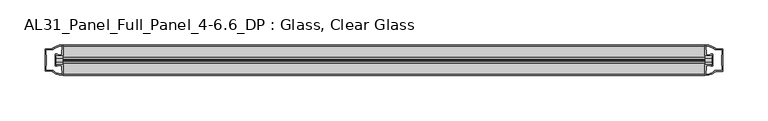
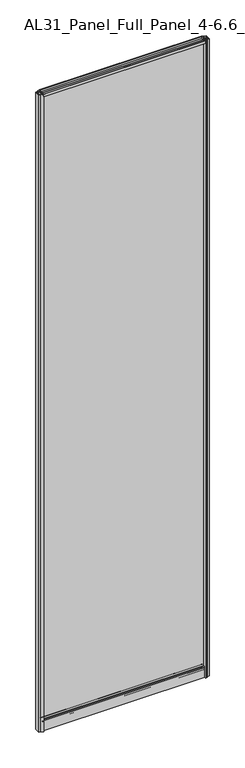
"""IFC4 building model written with IfcOpenShell, lengths in millimetres: plate geometry, AL31_Panel_Full_Panel_4-6.6_DP : Glass, Clear Glass."""

from ifc_helpers import new_model, si_unit, point, frame, frame_2d, origin, origin_with_axes, place, context, project, spatial, polyline, circle_curve, trimmed, segment, composite_curve, outline, extrude, source, transform, mapped, element, save


def al31_panel_full_panel_4_6_6_dp_glass_clear_glass_eac2c6a6(model_context):
    return source(origin(), model_context, "Body", "SweptSolid", [
        extrude(outline(composite_curve([segment(trimmed(circle_curve(frame_2d((-19.957, 2961.8572926)), 3.0), [point((-18.457, 2964.4553688))], [point((-17.4851586, 2960.1572926))], False, "CARTESIAN"), True, "CONTINUOUS"), segment(polyline([(-17.4851586, 2960.1572926), (-4.157, 2960.1572926), (-4.157, 2969.5572926), (-2.857, 2969.5572926), (-2.857, 2959.0572926), (-13.1545312, 2959.0572926), (-13.1545312, 2958.2572926), (-13.6601218, 2956.3357964), (-13.6601218, 2951.6572926), (-14.857, 2951.6572926), (-14.857, 2956.9912672), (-14.357, 2957.8572926), (-14.357, 2959.0572926), (-25.357, 2959.0572926), (-25.357, 2957.8572926), (-24.857, 2956.9912672), (-24.857, 2951.6572926), (-26.0538782, 2951.6572926), (-26.0538782, 2956.3357964), (-26.5594688, 2958.2572926), (-26.5594688, 2959.0572926), (-36.857, 2959.0572926), (-36.857, 2969.5572926), (-35.557, 2969.5572926), (-35.557, 2960.1572926), (-22.4288414, 2960.1572926)]), True, "CONTINUOUS"), segment(trimmed(circle_curve(frame_2d((-19.957, 2961.8572926)), 3.0), [point((-22.4288414, 2960.1572926))], [point((-21.457, 2964.4553688))], False, "CARTESIAN"), True, "CONTINUOUS"), segment(polyline([(-21.457, 2964.4553688), (-20.907, 2963.5027409)]), True, "CONTINUOUS"), segment(trimmed(circle_curve(frame_2d((-19.957, 2961.8572926)), 1.9), [point((-20.907, 2963.5027409))], [point((-19.007, 2963.5027409))], True, "CARTESIAN"), True, "CONTINUOUS"), segment(polyline([(-19.007, 2963.5027409), (-18.457, 2964.4553688)]), True, "CONTINUOUS")], self_intersect=False)), frame((-356.2500505, 0.0, 0.0), z_axis=(1.0, 0.0, 0.0), x_axis=(0.0, 1.0, 0.0)), (0.0, 0.0, 1.0), 712.5001009),
        extrude(outline(composite_curve([segment(polyline([(-11.457, 35.8), (-28.257, 35.8)]), True, "CONTINUOUS"), segment(trimmed(circle_curve(frame_2d((-28.257, 34.8)), 1.0), [point((-28.257, 35.8))], [point((-29.257, 34.8))], True, "CARTESIAN"), True, "CONTINUOUS"), segment(polyline([(-29.257, 34.8), (-29.257, 33.5), (-24.8569697, 33.5), (-24.8569697, 32.3), (-29.257, 32.3), (-29.257, 0.0), (-30.457, 0.0), (-30.457, 47.3)]), True, "CONTINUOUS"), segment(trimmed(circle_curve(frame_2d((-28.457, 47.3)), 2.0), [point((-30.457, 47.3))], [point((-28.457, 49.3))], False, "CARTESIAN"), True, "CONTINUOUS"), segment(polyline([(-28.457, 49.3), (-24.857, 49.3), (-24.857, 41.9), (-14.857, 41.9), (-14.857, 49.3), (-11.257, 49.3)]), True, "CONTINUOUS"), segment(trimmed(circle_curve(frame_2d((-11.257, 47.3)), 2.0), [point((-11.257, 49.3))], [point((-9.257, 47.3))], False, "CARTESIAN"), True, "CONTINUOUS"), segment(polyline([(-9.257, 47.3), (-9.257, 0.0), (-10.457, 0.0), (-10.457, 32.3), (-14.8569697, 32.3), (-14.8569697, 33.5), (-10.457, 33.5), (-10.457, 34.8)]), True, "CONTINUOUS"), segment(trimmed(circle_curve(frame_2d((-11.457, 34.8)), 1.0), [point((-10.457, 34.8))], [point((-11.457, 35.8))], True, "CARTESIAN"), True, "CONTINUOUS")], self_intersect=False), holes=[composite_curve([segment(polyline([(-26.3594688, 41.8), (-26.3594688, 42.9)]), True, "CONTINUOUS"), segment(trimmed(circle_curve(frame_2d((-25.1594688, 42.9)), 1.2), [point((-26.3594688, 42.9))], [point((-25.9768184, 43.7786009))], False, "CARTESIAN"), True, "CONTINUOUS"), segment(polyline([(-25.9768184, 43.7786009), (-25.9768184, 48.2), (-28.257, 48.2)]), True, "CONTINUOUS"), segment(trimmed(circle_curve(frame_2d((-28.257, 47.2)), 1.0), [point((-28.257, 48.2))], [point((-29.257, 47.2))], True, "CARTESIAN"), True, "CONTINUOUS"), segment(polyline([(-29.257, 47.2), (-29.257, 37.04), (-22.6578965, 37.04), (-22.6578965, 38.0725806), (-21.6940508, 38.0725806)]), True, "CONTINUOUS"), segment(trimmed(circle_curve(frame_2d((-19.857, 39.1)), 2.1048387), [point((-21.6940508, 38.0725806))], [point((-18.0199492, 38.0725806))], True, "CARTESIAN"), True, "CONTINUOUS"), segment(polyline([(-18.0199492, 38.0725806), (-17.0561035, 38.0725806), (-17.0561035, 37.04), (-10.457, 37.04), (-10.457, 47.2)]), True, "CONTINUOUS"), segment(trimmed(circle_curve(frame_2d((-11.457, 47.2)), 1.0), [point((-10.457, 47.2))], [point((-11.457, 48.2))], True, "CARTESIAN"), True, "CONTINUOUS"), segment(polyline([(-11.457, 48.2), (-13.7371816, 48.2), (-13.7371816, 43.5786009)]), True, "CONTINUOUS"), segment(trimmed(circle_curve(frame_2d((-14.5545312, 42.7)), 1.2), [point((-13.7371816, 43.5786009))], [point((-13.3545312, 42.7))], False, "CARTESIAN"), True, "CONTINUOUS"), segment(polyline([(-13.3545312, 42.7), (-13.3545312, 41.8)]), True, "CONTINUOUS"), segment(trimmed(circle_curve(frame_2d((-14.3545312, 41.8)), 1.0), [point((-13.3545312, 41.8))], [point((-14.3545312, 40.8))], False, "CARTESIAN"), True, "CONTINUOUS"), segment(polyline([(-14.3545312, 40.8), (-17.0561035, 40.8), (-17.0561035, 39.7274194), (-18.0199492, 39.7274194)]), True, "CONTINUOUS"), segment(trimmed(circle_curve(frame_2d((-19.857, 38.7)), 2.1048387), [point((-18.0199492, 39.7274194))], [point((-21.6940508, 39.7274194))], True, "CARTESIAN"), True, "CONTINUOUS"), segment(polyline([(-21.6940508, 39.7274194), (-22.6578965, 39.7274194), (-22.6578965, 40.8), (-25.3594688, 40.8)]), True, "CONTINUOUS"), segment(trimmed(circle_curve(frame_2d((-25.3594688, 41.8)), 1.0), [point((-25.3594688, 40.8))], [point((-26.3594688, 41.8))], False, "CARTESIAN"), True, "CONTINUOUS")], self_intersect=False)]), frame((-356.2500505, 0.0, 0.0), z_axis=(1.0, 0.0, 0.0), x_axis=(0.0, 1.0, 0.0)), (0.0, 0.0, 1.0), 712.5001009),
        extrude(outline(composite_curve([segment(polyline([(-364.0914718, -25.757), (-362.8914718, -25.757), (-362.8914718, -24.857), (-356.2500505, -24.857), (-356.2500505, -36.8571453)]), True, "CONTINUOUS"), segment(trimmed(circle_curve(frame_2d((-355.8853989, -16.8604698)), 20.0), [point((-356.2500505, -36.8571453))], [point((-367.6058857, -33.0663388))], False, "CARTESIAN"), True, "CONTINUOUS"), segment(polyline([(-367.6058857, -33.0663388), (-367.6058857, -32.1849343), (-376.2500505, -32.1849343), (-376.2500505, -7.4849343), (-367.6058857, -7.4849343), (-367.6058857, -6.6474751)]), True, "CONTINUOUS"), segment(trimmed(circle_curve(frame_2d((-355.8853989, -22.8533441)), 20.0), [point((-367.6058857, -6.6474751))], [point((-356.2500505, -2.8566686))], False, "CARTESIAN"), True, "CONTINUOUS"), segment(polyline([(-356.2500505, -2.8566686), (-356.2500505, -14.857), (-362.8914718, -14.857), (-362.8914718, -13.957), (-364.0914718, -13.957), (-364.0914718, -25.757)]), True, "CONTINUOUS")], self_intersect=False), holes=[composite_curve([segment(trimmed(circle_curve(frame_2d((-363.0914718, -14.157)), 1.5), [point((-363.0914718, -12.657))], [point((-361.7362175, -13.5141269))], False, "CARTESIAN"), True, "CONTINUOUS"), segment(polyline([(-361.7362175, -13.5141269), (-357.9914718, -13.5141269), (-357.9914718, -8.917777), (-357.552132, -7.8571168), (-357.552132, -4.2070183)]), True, "CONTINUOUS"), segment(trimmed(circle_curve(frame_2d((-355.8853989, -22.8325921)), 18.7), [point((-357.552132, -4.2070183))], [point((-365.8921766, -7.0353013))], True, "CARTESIAN"), True, "CONTINUOUS"), segment(trimmed(circle_curve(frame_2d((-367.6914718, -6.9849343)), 1.8), [point((-365.8921766, -7.0353013))], [point((-367.6914718, -8.7849343))], False, "CARTESIAN"), True, "CONTINUOUS"), segment(polyline([(-367.6914718, -8.7849343), (-374.8328931, -8.7849343), (-374.8328931, -13.3550394), (-374.3914718, -14.417777), (-374.3914718, -25.2520916), (-374.8914718, -26.2449987), (-374.8914718, -30.8849343), (-367.6914718, -30.8849343)]), True, "CONTINUOUS"), segment(trimmed(circle_curve(frame_2d((-367.6914718, -32.6849343)), 1.8), [point((-367.6914718, -30.8849343))], [point((-365.8921766, -32.6345673))], False, "CARTESIAN"), True, "CONTINUOUS"), segment(trimmed(circle_curve(frame_2d((-355.8853989, -16.8372765)), 18.7), [point((-365.8921766, -32.6345673))], [point((-357.552132, -35.4628503))], True, "CARTESIAN"), True, "CONTINUOUS"), segment(polyline([(-357.552132, -35.4628503), (-357.552132, -31.8127518), (-357.9914718, -30.7520916), (-357.9914718, -26.1561308), (-361.7163201, -26.1561308)]), True, "CONTINUOUS"), segment(trimmed(circle_curve(frame_2d((-363.0914718, -25.557)), 1.5), [point((-361.7163201, -26.1561308))], [point((-363.0914718, -27.057))], False, "CARTESIAN"), True, "CONTINUOUS"), segment(polyline([(-363.0914718, -27.057), (-365.3914718, -27.057), (-365.3914718, -12.657), (-363.0914718, -12.657)]), True, "CONTINUOUS")], self_intersect=False)]), origin_with_axes(), (0.0, 0.0, 1.0), 2969.5572926),
        extrude(outline(composite_curve([segment(polyline([(364.0914718, -13.957), (362.8914718, -13.957), (362.8914718, -14.857), (356.2500505, -14.857), (356.2500505, -2.8568547)]), True, "CONTINUOUS"), segment(trimmed(circle_curve(frame_2d((355.8853989, -22.8535302)), 20.0), [point((356.2500505, -2.8568547))], [point((367.6058857, -6.6476612))], False, "CARTESIAN"), True, "CONTINUOUS"), segment(polyline([(367.6058857, -6.6476612), (367.6058857, -7.5290657), (376.2500505, -7.5290657), (376.2500505, -32.2290657), (367.6058857, -32.2290657), (367.6058857, -33.0665249)]), True, "CONTINUOUS"), segment(trimmed(circle_curve(frame_2d((355.8853989, -16.8606559)), 20.0), [point((367.6058857, -33.0665249))], [point((356.2500505, -36.8573314))], False, "CARTESIAN"), True, "CONTINUOUS"), segment(polyline([(356.2500505, -36.8573314), (356.2500505, -24.857), (362.8914718, -24.857), (362.8914718, -25.757), (364.0914718, -25.757), (364.0914718, -13.957)]), True, "CONTINUOUS")], self_intersect=False), holes=[composite_curve([segment(trimmed(circle_curve(frame_2d((363.0914718, -25.557)), 1.5), [point((363.0914718, -27.057))], [point((361.7362175, -26.1998731))], False, "CARTESIAN"), True, "CONTINUOUS"), segment(polyline([(361.7362175, -26.1998731), (357.9914718, -26.1998731), (357.9914718, -30.796223), (357.552132, -31.8568832), (357.552132, -35.5069817)]), True, "CONTINUOUS"), segment(trimmed(circle_curve(frame_2d((355.8853989, -16.8814079)), 18.7), [point((357.552132, -35.5069817))], [point((365.8921766, -32.6786987))], True, "CARTESIAN"), True, "CONTINUOUS"), segment(trimmed(circle_curve(frame_2d((367.6914718, -32.7290657)), 1.8), [point((365.8921766, -32.6786987))], [point((367.6914718, -30.9290657))], False, "CARTESIAN"), True, "CONTINUOUS"), segment(polyline([(367.6914718, -30.9290657), (374.8328931, -30.9290657), (374.8328931, -26.3589606), (374.3914718, -25.296223), (374.3914718, -14.4619084), (374.8914718, -13.4690013), (374.8914718, -8.8290657), (367.6914718, -8.8290657)]), True, "CONTINUOUS"), segment(trimmed(circle_curve(frame_2d((367.6914718, -7.0290657)), 1.8), [point((367.6914718, -8.8290657))], [point((365.8921766, -7.0794327))], False, "CARTESIAN"), True, "CONTINUOUS"), segment(trimmed(circle_curve(frame_2d((355.8853989, -22.8767235)), 18.7), [point((365.8921766, -7.0794327))], [point((357.552132, -4.2511497))], True, "CARTESIAN"), True, "CONTINUOUS"), segment(polyline([(357.552132, -4.2511497), (357.552132, -7.9012482), (357.9914718, -8.9619084), (357.9914718, -13.5578692), (361.7163201, -13.5578692)]), True, "CONTINUOUS"), segment(trimmed(circle_curve(frame_2d((363.0914718, -14.157)), 1.5), [point((361.7163201, -13.5578692))], [point((363.0914718, -12.657))], False, "CARTESIAN"), True, "CONTINUOUS"), segment(polyline([(363.0914718, -12.657), (365.3914718, -12.657), (365.3914718, -27.057), (363.0914718, -27.057)]), True, "CONTINUOUS")], self_intersect=False)]), origin_with_axes(), (0.0, 0.0, 1.0), 2969.5572926),
        extrude(outline(polyline([(364.0914718, -17.857), (364.0914718, -21.857), (-364.0914718, -21.857), (-364.0914718, -17.857), (364.0914718, -17.857)])), frame((0.0, 0.0, 41.9), z_axis=(0.0, 0.0, 1.0), x_axis=(1.0, 0.0, 0.0)), (0.0, 0.0, 1.0), 2917.1572926),
    ])


if __name__ == "__main__":
    model = new_model("IFC4")
    model_context = context("Model", 3, world=origin())
    ifc_project = project(units=[si_unit("LENGTHUNIT", "METRE", prefix="MILLI")], contexts=[model_context])
    site = spatial("IfcSite", under=ifc_project)
    building = spatial("IfcBuilding", under=site)
    placement = place(None, origin())
    al31_panel_full_panel_4_6_6_dp_glass_clear_glass_shape = al31_panel_full_panel_4_6_6_dp_glass_clear_glass_eac2c6a6(model_context)
    element("IfcPlate", 1, ObjectType="AL31_Panel_Full_Panel_4-6.6_DP : Glass, Clear Glass", at=placement, inside=building, context=model_context, shape_type="MappedRepresentation", body=[
        mapped(al31_panel_full_panel_4_6_6_dp_glass_clear_glass_shape, transform((0.0, 0.0, 0.0), x_axis=(1.0, 0.0, 0.0), y_axis=(0.0, 1.0, 0.0), z_axis=(0.0, 0.0, 1.0))),
    ])
    save(model, "model.ifc")
